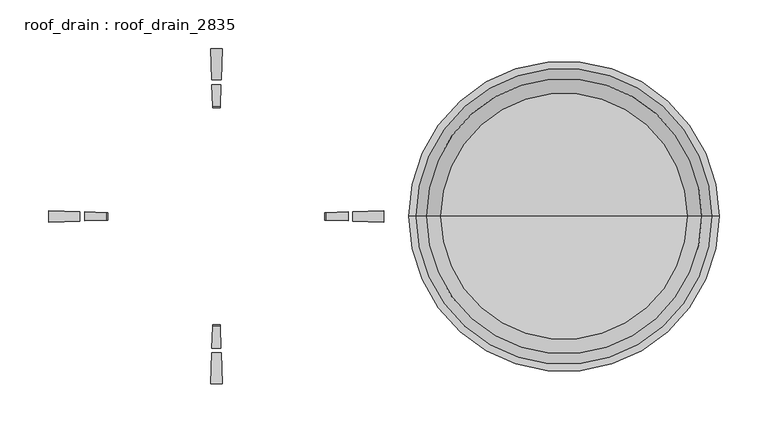
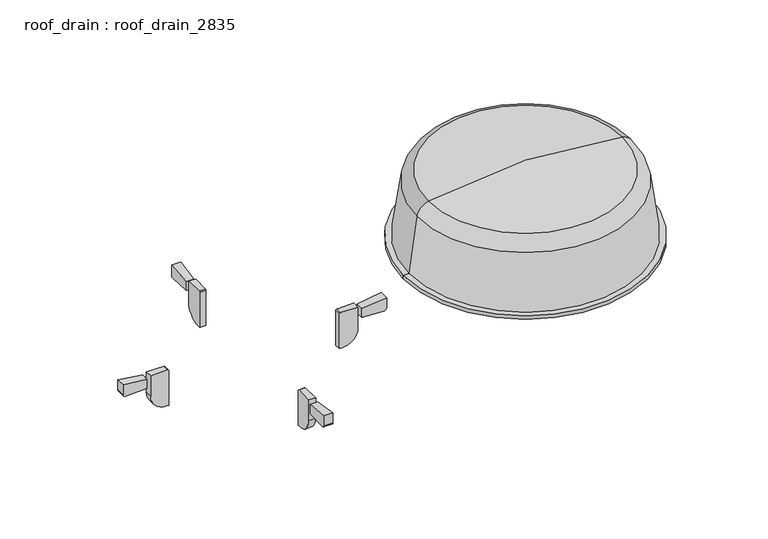
"""IFC4 building model written with IfcOpenShell, lengths in millimetres: proxy geometry, roof_drain : roof_drain_2835."""

import ifcopenshell
import ifcopenshell.guid

model = None  # the IFC model being written
_history = None  # IfcOwnerHistory: only IFC2X3 demands one
_inside = {}  # id of a spatial element -> (the spatial element, [elements in it])
_under = {}  # id of a project, library or spatial element -> (it, [spatial elements below it])
_declared = {}  # id of a project -> (the project, [libraries it declares])
_typed = {}  # id of a type object -> (the type object, [elements of that type])
_made_of = {}  # id of a material, layer set ... -> (it, [elements and type objects made of it])


def new_model(schema):
    """Start an empty IFC model of exactly this schema.

    Asked for "IFC4X3", IfcOpenShell would pick the latest addendum, in which some entities
    have other attributes; the version numbers below select the first issue.
    IFC2X3 requires an IfcOwnerHistory on every rooted entity: one is made here for all.
    """
    global model, _history
    if schema == "IFC4X3":
        model = ifcopenshell.file(schema_version=(4, 3, 0, 0))
    else:
        model = ifcopenshell.file(schema=schema)
    _inside.clear()
    _under.clear()
    _declared.clear()
    _typed.clear()
    _made_of.clear()
    _history = None
    if model.schema == "IFC2X3":
        org = make("IfcOrganization", Name="unknown")
        user = make(
            "IfcPersonAndOrganization",
            ThePerson=make("IfcPerson", FamilyName="unknown"),
            TheOrganization=org,
        )
        app = make(
            "IfcApplication",
            ApplicationDeveloper=org,
            Version="unknown",
            ApplicationFullName="unknown",
            ApplicationIdentifier="unknown",
        )
        _history = make(
            "IfcOwnerHistory",
            OwningUser=user,
            OwningApplication=app,
            ChangeAction="ADDED",
            CreationDate=0,
        )
    return model


def make(cls, **values):
    """One entity of the class cls with the attributes given. An attribute that is None is left unset."""
    return model.create_entity(
        cls, **{name: value for name, value in values.items() if value is not None}
    )


def rooted(cls, **values):
    """An entity with a GlobalId (a new one), such as an element, a storey or a relation."""
    return make(cls, GlobalId=ifcopenshell.guid.new(), OwnerHistory=_history, **values)


def si_unit(unit_type, name, prefix=None):
    """IfcSIUnit, for example si_unit("LENGTHUNIT", "METRE", prefix="MILLI")."""
    return make("IfcSIUnit", UnitType=unit_type, Prefix=prefix, Name=name)


def assignment(units):
    """IfcUnitAssignment: the units of a project."""
    return None if units is None else make("IfcUnitAssignment", Units=units)


def point(xyz):
    """IfcCartesianPoint."""
    return None if xyz is None else make("IfcCartesianPoint", Coordinates=xyz)


def direction(xyz):
    """IfcDirection."""
    return None if xyz is None else make("IfcDirection", DirectionRatios=xyz)


def frame(location, z_axis=None, x_axis=None):
    """IfcAxis2Placement3D, a coordinate frame: its origin and axes. An axis left out is left unset."""
    return make(
        "IfcAxis2Placement3D",
        Location=point(location),
        Axis=direction(z_axis),
        RefDirection=direction(x_axis),
    )


def origin():
    """The frame at (0, 0, 0) with its axes left unset."""
    return frame((0.0, 0.0, 0.0))


def place(relative_to, where):
    """IfcLocalPlacement: puts the frame where relative to a parent placement (None: the world)."""
    return make(
        "IfcLocalPlacement", PlacementRelTo=relative_to, RelativePlacement=where
    )


def context(
    kind, dimensions, precision=None, world=None, true_north=None, identifier=None
):
    """IfcGeometricRepresentationContext, for example the 3D "Model" context."""
    return make(
        "IfcGeometricRepresentationContext",
        ContextIdentifier=identifier,
        ContextType=kind,
        CoordinateSpaceDimension=dimensions,
        Precision=precision,
        WorldCoordinateSystem=world,
        TrueNorth=true_north,
    )


def project(units=None, contexts=None):
    """IfcProject with its units and contexts."""
    return rooted(
        "IfcProject",
        Name="project",
        RepresentationContexts=contexts,
        UnitsInContext=assignment(units),
    )


def spatial(cls, under=None, at=None, **own):
    """A site, building, storey or space (cls), placed at a placement, below another one or the project."""
    s = rooted(cls, ObjectPlacement=at, **own)
    if under is not None:
        _under.setdefault(under.id(), (under, []))[1].append(s)
    return s


def polyline(points):
    """IfcPolyline through the points."""
    return make("IfcPolyline", Points=[point(p) for p in points])


def circle_curve(where, radius):
    """IfcCircle in the frame where."""
    return make("IfcCircle", Position=where, Radius=radius)


def ellipse_curve(where, semi_axis1, semi_axis2):
    """IfcEllipse in the frame where."""
    return make(
        "IfcEllipse", Position=where, SemiAxis1=semi_axis1, SemiAxis2=semi_axis2
    )


def trimmed(basis, trim1, trim2, sense, master):
    """IfcTrimmedCurve: the piece of a basis curve between two trims."""
    return make(
        "IfcTrimmedCurve",
        BasisCurve=basis,
        Trim1=trim1,
        Trim2=trim2,
        SenseAgreement=sense,
        MasterRepresentation=master,
    )


def shape(context_of_items, identifier, shape_type, items):
    """IfcShapeRepresentation: the items that make up one representation, for example the "Body"."""
    return make(
        "IfcShapeRepresentation",
        ContextOfItems=context_of_items,
        RepresentationIdentifier=identifier,
        RepresentationType=shape_type,
        Items=items,
    )


def source(mapping_origin, context_of_items, identifier, shape_type, items):
    """IfcRepresentationMap: a shape defined once, which mapped items show again and again."""
    return make(
        "IfcRepresentationMap",
        MappingOrigin=mapping_origin,
        MappedRepresentation=shape(context_of_items, identifier, shape_type, items),
    )


def transform(
    local_origin,
    x_axis=None,
    y_axis=None,
    z_axis=None,
    scale=None,
    scale2=None,
    scale3=None,
    uniform=True,
):
    """IfcCartesianTransformationOperator3D, or its non-uniform kind. x_axis, y_axis, z_axis: its Axis1, 2, 3."""
    if uniform:
        return make(
            "IfcCartesianTransformationOperator3D",
            Axis1=direction(x_axis),
            Axis2=direction(y_axis),
            LocalOrigin=point(local_origin),
            Scale=scale,
            Axis3=direction(z_axis),
        )
    return make(
        "IfcCartesianTransformationOperator3DnonUniform",
        Axis1=direction(x_axis),
        Axis2=direction(y_axis),
        LocalOrigin=point(local_origin),
        Scale=scale,
        Axis3=direction(z_axis),
        Scale2=scale2,
        Scale3=scale3,
    )


def mapped(mapping_source, mapping_target):
    """IfcMappedItem: shows the shape of a source again, moved by a transform."""
    return make(
        "IfcMappedItem", MappingSource=mapping_source, MappingTarget=mapping_target
    )


def made_of(thing, what):
    """Note that an element or type object is made of a material, layer set ...; save() writes the relation."""
    if what is not None:
        _made_of.setdefault(what.id(), (what, []))[1].append(thing)
    return thing


def element(
    cls,
    number,
    at=None,
    inside=None,
    cuts=None,
    type_object=None,
    material=None,
    context=None,
    identifier="Body",
    shape_type=None,
    held_by="IfcProductDefinitionShape",
    body=None,
    shapes=None,
    **own,
):
    """One element of the class cls, such as IfcWall. Its Tag is "e" and its number.

    at: its placement. inside: the storey or other place that contains it. cuts: it is an
    opening in that element (IfcRelVoidsElement). A single representation is given by context,
    identifier, shape_type and body (its items); several are given by shapes. held_by: the class
    of the entity that holds the representations. save() writes the other relations.
    """
    e = rooted(cls, Tag="e%d" % number, ObjectPlacement=at, **own)
    if body is not None:
        shapes = [shape(context, identifier, shape_type, body)]
    if shapes is not None:
        e.Representation = make(held_by, Representations=shapes)
    if inside is not None:
        _inside.setdefault(inside.id(), (inside, []))[1].append(e)
    if cuts is not None:
        rooted(
            "IfcRelVoidsElement", RelatingBuildingElement=cuts, RelatedOpeningElement=e
        )
    if type_object is not None:
        _typed.setdefault(type_object.id(), (type_object, []))[1].append(e)
    return made_of(e, material)


def aggregate(whole, parts):
    """IfcRelAggregates: a whole, such as a stair, and the parts it consists of."""
    return rooted("IfcRelAggregates", RelatingObject=whole, RelatedObjects=parts)


def save(model, path):
    """Write the relations noted so far, then the file.

    IfcRelAggregates (storeys below a building ...), IfcRelContainedInSpatialStructure (elements
    in a storey), IfcRelDefinesByType, IfcRelAssociatesMaterial and IfcRelDeclares: one each for
    every whole, place, type object, material and project.
    """
    for whole, parts in _under.values():
        aggregate(whole, parts)
    for where, things in _inside.values():
        rooted(
            "IfcRelContainedInSpatialStructure",
            RelatedElements=things,
            RelatingStructure=where,
        )
    for kind, things in _typed.values():
        rooted("IfcRelDefinesByType", RelatedObjects=things, RelatingType=kind)
    for what, things in _made_of.values():
        rooted("IfcRelAssociatesMaterial", RelatedObjects=things, RelatingMaterial=what)
    for by, libraries in _declared.values():
        rooted("IfcRelDeclares", RelatingContext=by, RelatedDefinitions=libraries)
    model.write(path)


def plane_surface(at):
    """IfcPlane: the flat surface through the origin of the frame at, square to its z axis."""
    return make("IfcPlane", Position=at)


def cylinder_surface(at, radius):
    """IfcCylindricalSurface: all points at the distance radius from the z axis of the frame at."""
    return make("IfcCylindricalSurface", Position=at, Radius=radius)


def revolved_surface(curve, axis_point, axis_direction):
    """IfcSurfaceOfRevolution: the curve turned about the line through axis_point along axis_direction."""
    return make(
        "IfcSurfaceOfRevolution",
        SweptCurve=make("IfcArbitraryOpenProfileDef", ProfileType="CURVE", Curve=curve),
        AxisPosition=make("IfcAxis1Placement", Location=point(axis_point), Axis=direction(axis_direction)),
    )


def advanced_brep(points, edges, surfaces, faces):
    """IfcAdvancedBrep: a solid bounded by faces that lie on surfaces and meet in shared edges.

    An edge is (start, end): straight between two places in points (the first is 0);
    or (start, end, curve); or (start, end, curve, False) where it runs against its curve.
    A face is (place in surfaces, loops), or (place, loops, False) where it looks against
    its surface's normal. A loop lists edges by number (the first is 1), with a minus sign
    where the edge is run from its end to its start. The first loop is the outer one.
    """
    corners = [point(p) for p in points]
    vertices = [make("IfcVertexPoint", VertexGeometry=c) for c in corners]
    made = []
    for start, end, *more in edges:
        made.append(
            make(
                "IfcEdgeCurve",
                EdgeStart=vertices[start],
                EdgeEnd=vertices[end],
                EdgeGeometry=more[0] if more else make("IfcPolyline", Points=[corners[start], corners[end]]),
                SameSense=more[1] if len(more) > 1 else True,
            )
        )
    hull = []
    for where, loops, *sense in faces:
        bounds = []
        for j, loop in enumerate(loops):
            ring = [make("IfcOrientedEdge", EdgeElement=made[abs(k) - 1], Orientation=k > 0) for k in loop]
            bounds.append(
                make(
                    "IfcFaceOuterBound" if j == 0 else "IfcFaceBound",
                    Bound=make("IfcEdgeLoop", EdgeList=ring),
                    Orientation=True,
                )
            )
        hull.append(make("IfcAdvancedFace", Bounds=bounds, FaceSurface=surfaces[where], SameSense=sense[0] if sense else True))
    return make("IfcAdvancedBrep", Outer=make("IfcClosedShell", CfsFaces=hull))


def roof_drain_roof_drain_2835_d0f82bab(model_context):
    return source(origin(), model_context, "Body", "AdvancedBrep", [
        advanced_brep(
        [(177.8, 0.0, 3849.6197843), (51.8994828, 0.0, 3837.1409017), (303.7005172, 0.0, 3837.1409017), (52.8343876, 0.0, 3832.4710667), (177.8, 0.0, 3844.8572843), (302.7656124, 0.0, 3832.4710667), (41.4899088, 0.0, 3820.4447369), (314.1100912, 0.0, 3820.4447369), (30.4486755, 0.0, 3741.6697843), (325.1513245, 0.0, 3741.6697843), (19.05, 0.0, 3741.6697843), (336.55, 0.0, 3741.6697843), (19.05, 0.0, 3746.4322843), (336.55, 0.0, 3746.4322843), (26.3071429, 0.0, 3746.4322843), (329.2928571, 0.0, 3746.4322843), (36.773511, 0.0, 3821.1057954), (318.826489, 0.0, 3821.1057954)],
        [
            (0, 1, circle_curve(frame((177.8, 0.0, 3208.2697843), z_axis=(0.0, -1.0, 0.0), x_axis=(-1.0, 0.0, 0.0)), 641.35)),
            (1, 2, circle_curve(frame((177.8, 0.0, 3837.1409017), z_axis=(0.0, 0.0, 1.0), x_axis=(1.0, 0.0, 0.0)), 125.9005172)),
            (2, 0, circle_curve(frame((177.8, 0.0, 3208.2697843), z_axis=(0.0, -1.0, 0.0), x_axis=(1.0, 0.0, 0.0)), 641.35)),
            (2, 1, circle_curve(frame((177.8, 0.0, 3837.1409017), z_axis=(0.0, 0.0, 1.0), x_axis=(1.0, 0.0, 0.0)), 125.9005172)),
            (3, 4, circle_curve(frame((177.8, 0.0, 3208.2697843), z_axis=(0.0, 1.0, 0.0), x_axis=(-1.0, 0.0, 0.0)), 636.5875)),
            (4, 5, circle_curve(frame((177.8, 0.0, 3208.2697843), z_axis=(0.0, 1.0, 0.0), x_axis=(1.0, 0.0, 0.0)), 636.5875)),
            (5, 3, circle_curve(frame((177.8, 0.0, 3832.4710667), z_axis=(0.0, 0.0, -1.0), x_axis=(1.0, 0.0, 0.0)), 124.9656124)),
            (3, 5, circle_curve(frame((177.8, 0.0, 3832.4710667), z_axis=(0.0, 0.0, -1.0), x_axis=(1.0, 0.0, 0.0)), 124.9656124)),
            (6, 3, circle_curve(frame((55.6391021, 0.0, 3818.4615616), z_axis=(0.0, 1.0, 0.0), x_axis=(-1.0, 0.0, 0.0)), 14.2875)),
            (5, 7, circle_curve(frame((299.9608979, 0.0, 3818.4615616), z_axis=(0.0, 1.0, 0.0), x_axis=(1.0, 0.0, 0.0)), 14.2875)),
            (7, 6, circle_curve(frame((177.8, 0.0, 3820.4447369), z_axis=(0.0, 0.0, -1.0), x_axis=(1.0, 0.0, 0.0)), 136.3100912)),
            (6, 7, circle_curve(frame((177.8, 0.0, 3820.4447369), z_axis=(0.0, 0.0, -1.0), x_axis=(1.0, 0.0, 0.0)), 136.3100912)),
            (8, 6),
            (7, 9),
            (9, 8, circle_curve(frame((177.8, 0.0, 3741.6697843), z_axis=(0.0, 0.0, -1.0), x_axis=(1.0, 0.0, 0.0)), 147.3513245)),
            (8, 9, circle_curve(frame((177.8, 0.0, 3741.6697843), z_axis=(0.0, 0.0, -1.0), x_axis=(1.0, 0.0, 0.0)), 147.3513245)),
            (10, 8),
            (9, 11),
            (11, 10, circle_curve(frame((177.8, 0.0, 3741.6697843), z_axis=(0.0, 0.0, -1.0), x_axis=(1.0, 0.0, 0.0)), 158.75)),
            (10, 11, circle_curve(frame((177.8, 0.0, 3741.6697843), z_axis=(0.0, 0.0, -1.0), x_axis=(1.0, 0.0, 0.0)), 158.75)),
            (12, 10),
            (11, 13),
            (13, 12, circle_curve(frame((177.8, 0.0, 3746.4322843), z_axis=(0.0, 0.0, -1.0), x_axis=(1.0, 0.0, 0.0)), 158.75)),
            (12, 13, circle_curve(frame((177.8, 0.0, 3746.4322843), z_axis=(0.0, 0.0, -1.0), x_axis=(1.0, 0.0, 0.0)), 158.75)),
            (14, 12),
            (13, 15),
            (15, 14, circle_curve(frame((177.8, 0.0, 3746.4322843), z_axis=(0.0, 0.0, -1.0), x_axis=(1.0, 0.0, 0.0)), 151.4928571)),
            (14, 15, circle_curve(frame((177.8, 0.0, 3746.4322843), z_axis=(0.0, 0.0, -1.0), x_axis=(1.0, 0.0, 0.0)), 151.4928571)),
            (16, 14),
            (15, 17),
            (17, 16, circle_curve(frame((177.8, 0.0, 3821.1057954), z_axis=(0.0, 0.0, -1.0), x_axis=(1.0, 0.0, 0.0)), 141.026489)),
            (16, 17, circle_curve(frame((177.8, 0.0, 3821.1057954), z_axis=(0.0, 0.0, -1.0), x_axis=(1.0, 0.0, 0.0)), 141.026489)),
            (1, 16, circle_curve(frame((55.6391021, 0.0, 3818.4615616), z_axis=(0.0, -1.0, 0.0), x_axis=(-1.0, 0.0, 0.0)), 19.05)),
            (17, 2, circle_curve(frame((299.9608979, 0.0, 3818.4615616), z_axis=(0.0, -1.0, 0.0), x_axis=(1.0, 0.0, 0.0)), 19.05)),
        ],
        [
            revolved_surface(trimmed(ellipse_curve(frame((177.8, 0.0, 3208.2697843), z_axis=(0.0, -1.0, 0.0), x_axis=(1.0, 0.0, 0.0)), 641.35, 641.35), [point((303.7005172, 0.0, 3837.1409017))], [point((177.8, 0.0, 3849.6197843))], True, "CARTESIAN"), (177.8, 0.0, 3589.2697843), (0.0, 0.0, 1.0)),
            revolved_surface(trimmed(ellipse_curve(frame((177.8, 0.0, 3208.2697843), z_axis=(0.0, 1.0, 0.0), x_axis=(1.0, 0.0, 0.0)), 636.5875, 636.5875), [point((177.8, 0.0, 3844.8572843))], [point((302.7656124, 0.0, 3832.4710667))], True, "CARTESIAN"), (177.8, 0.0, 3589.2697843), (0.0, 0.0, 1.0)),
            revolved_surface(trimmed(ellipse_curve(frame((299.9608979, 0.0, 3818.4615616), z_axis=(0.0, 1.0, 0.0), x_axis=(1.0, 0.0, 0.0)), 14.2875, 14.2875), [point((302.7656124, 0.0, 3832.4710667))], [point((314.1100912, 0.0, 3820.4447369))], True, "CARTESIAN"), (177.8, 0.0, 3589.2697843), (0.0, 0.0, 1.0)),
            revolved_surface(polyline([(314.1100912, 0.0, 3820.4447369), (325.1513245, 0.0, 3741.6697843)]), (177.8, 0.0, 3589.2697843), (0.0, 0.0, 1.0)),
            plane_surface(frame((177.8, 0.0, 3741.6697843), z_axis=(0.0, 0.0, -1.0), x_axis=(1.0, 0.0, 0.0))),
            cylinder_surface(frame((177.8, 0.0, 3589.2697843), z_axis=(0.0, 0.0, 1.0), x_axis=(1.0, 0.0, 0.0)), 158.75),
            plane_surface(frame((177.8, 0.0, 3746.4322843), z_axis=(0.0, 0.0, 1.0), x_axis=(1.0, 0.0, 0.0))),
            revolved_surface(polyline([(329.2928571, 0.0, 3746.4322843), (318.826489, 0.0, 3821.1057954)]), (177.8, 0.0, 3589.2697843), (0.0, 0.0, 1.0)),
            revolved_surface(trimmed(ellipse_curve(frame((299.9608979, 0.0, 3818.4615616), z_axis=(0.0, -1.0, 0.0), x_axis=(1.0, 0.0, 0.0)), 19.05, 19.05), [point((318.826489, 0.0, 3821.1057954))], [point((303.7005172, 0.0, 3837.1409017))], True, "CARTESIAN"), (177.8, 0.0, 3589.2697843), (0.0, 0.0, 1.0)),
        ],
        [
            (0, [[1, 2, 3]]),
            (0, [[-3, 4, -1]]),
            (1, [[5, 6, 7]]),
            (1, [[-6, -5, 8]]),
            (2, [[9, -7, 10, 11]]),
            (2, [[-10, -8, -9, 12]]),
            (3, [[13, -11, 14, 15]]),
            (3, [[-14, -12, -13, 16]]),
            (4, [[17, -15, 18, 19]]),
            (4, [[-18, -16, -17, 20]]),
            (5, [[21, -19, 22, 23]]),
            (5, [[-22, -20, -21, 24]]),
            (6, [[25, -23, 26, 27]]),
            (6, [[-26, -24, -25, 28]]),
            (7, [[29, -27, 30, 31]]),
            (7, [[-30, -28, -29, 32]]),
            (8, [[33, -31, 34, -2]]),
            (8, [[-34, -32, -33, -4]]),
        ],
    ),
        advanced_brep(
        [(-171.8164813, -171.3455573, 3714.6822843), (-171.9272872, -168.1724914, 3711.5072843), (-172.9245403, -139.6148985, 3711.5072843), (-172.9245403, -139.6148985, 3724.2072843), (-171.8164813, -171.3455573, 3728.1056941), (-183.7835187, -171.3455573, 3714.6822843), (-183.7835187, -171.3455573, 3728.1056941), (-182.6754597, -139.6148985, 3724.2072843), (-182.6754597, -139.6148985, 3711.5072843), (-183.6727128, -168.1724914, 3711.5072843)],
        [
            (0, 1, circle_curve(frame((-171.9272872, -168.1724914, 3714.6822843), z_axis=(0.9993908270190829, 0.034899496702871076, 0.0), x_axis=(0.034899496702871076, -0.9993908270190829, 0.0)), 3.175)),
            (1, 2),
            (2, 3),
            (3, 4),
            (4, 0),
            (5, 6),
            (6, 7),
            (7, 8),
            (8, 9),
            (9, 5, circle_curve(frame((-183.6727128, -168.1724914, 3714.6822843), z_axis=(-0.9993908270191088, 0.0348994967021308, 0.0), x_axis=(-0.0348994967021308, -0.9993908270191088, 0.0)), 3.175)),
            (5, 0, circle_curve(frame((-177.8, 0.0, 3714.6822843), z_axis=(0.0, 0.0, 1.0), x_axis=(0.034899496702871076, -0.9993908270190829, 0.0)), 171.45)),
            (4, 6, circle_curve(frame((-177.8, 0.0, 3728.1056941), z_axis=(0.0, 0.0, -1.0), x_axis=(0.034899496702871076, -0.9993908270190829, 0.0)), 171.45)),
            (3, 7, circle_curve(frame((-177.8, 0.0, 3724.2072843), z_axis=(0.0, 0.0, -1.0), x_axis=(0.034899496702871076, -0.9993908270190829, 0.0)), 139.7)),
            (2, 8, circle_curve(frame((-177.8, 0.0, 3711.5072843), z_axis=(0.0, 0.0, -1.0), x_axis=(0.034899496702871076, -0.9993908270190829, 0.0)), 139.7)),
            (1, 9, circle_curve(frame((-177.8, 0.0, 3711.5072843), z_axis=(0.0, 0.0, -1.0), x_axis=(0.034899496702871076, -0.9993908270190829, 0.0)), 168.275)),
        ],
        [
            plane_surface(frame((-177.8, 0.0, 3905.1822843), z_axis=(0.9993908270190829, 0.034899496702871076, 0.0), x_axis=(0.034899496702871076, -0.9993908270190829, 0.0))),
            plane_surface(frame((-177.8, 0.0, 3905.1822843), z_axis=(-0.9993908270191086, 0.03489949670213079, 0.0), x_axis=(-0.03489949670213079, -0.9993908270191086, 0.0))),
            cylinder_surface(frame((-177.8, 0.0, 3905.1822843), z_axis=(0.0, 0.0, 1.0), x_axis=(0.034899496702871076, -0.9993908270190829, 0.0)), 171.45),
            revolved_surface(polyline([(-171.8164813, -171.3455573, 3728.1056941), (-172.9245403, -139.6148985, 3724.2072843)]), (-177.8, 0.0, 3905.1822843), (0.0, 0.0, 1.0)),
            revolved_surface(polyline([(-172.92454031060893, -139.61489853456587, 3724.2072843), (-172.92454031060893, -139.61489853456587, 3711.5072843)]), (-177.8, 0.0, 3905.1822843), (0.0, 0.0, 1.0)),
            plane_surface(frame((-177.8, 0.0, 3711.5072843), z_axis=(0.0, 0.0, -1.0000000000000002), x_axis=(0.034899496702871076, -0.9993908270190829, 0.0))),
            revolved_surface(trimmed(ellipse_curve(frame((-171.9272872, -168.1724914, 3714.6822843), z_axis=(-0.9993908270190829, -0.034899496702871076, 0.0), x_axis=(0.034899496702871076, -0.9993908270190829, 0.0)), 3.175, 3.175), [point((-171.9272872, -168.1724914, 3711.5072843))], [point((-171.8164813, -171.3455573, 3714.6822843))], True, "CARTESIAN"), (-177.8, 0.0, 3905.1822843), (0.0, 0.0, 1.0)),
        ],
        [
            (0, [[1, 2, 3, 4, 5]]),
            (1, [[6, 7, 8, 9, 10]]),
            (2, [[-6, 11, -5, 12]]),
            (3, [[-7, -12, -4, 13]]),
            (4, [[-8, -13, -3, 14]]),
            (5, [[-9, -14, -2, 15]]),
            (6, [[-10, -15, -1, -11]]),
        ],
    ),
        advanced_brep(
        [(-173.9217934, -111.0573057, 3725.7947843), (-173.8663905, -112.6438386, 3727.3822843), (-173.0907492, -134.8552997, 3727.3822843), (-173.0907492, -134.8552997, 3698.8072843), (-173.8109875, -114.2303715, 3678.1697843), (-173.9217934, -111.0573057, 3678.1697843), (-181.6782066, -111.0573057, 3725.7947843), (-181.6782066, -111.0573057, 3678.1697843), (-181.7890125, -114.2303715, 3678.1697843), (-182.5092508, -134.8552997, 3698.8072843), (-182.5092508, -134.8552997, 3727.3822843), (-181.7336095, -112.6438386, 3727.3822843)],
        [
            (0, 1, circle_curve(frame((-173.8663905, -112.6438386, 3725.7947843), z_axis=(0.9993908270190829, 0.034899496702871076, 0.0), x_axis=(0.034899496702871076, -0.9993908270190829, 0.0)), 1.5875)),
            (1, 2),
            (2, 3),
            (3, 4, circle_curve(frame((-173.8109875, -114.2303715, 3698.8072843), z_axis=(0.9993908270190829, 0.034899496702871076, 0.0), x_axis=(0.034899496702871076, -0.9993908270190829, 0.0)), 20.6375)),
            (4, 5),
            (5, 0),
            (6, 7),
            (7, 8),
            (8, 9, circle_curve(frame((-181.7890125, -114.2303715, 3698.8072843), z_axis=(-0.9993908270191088, 0.0348994967021308, 0.0), x_axis=(-0.0348994967021308, -0.9993908270191088, 0.0)), 20.6375)),
            (9, 10),
            (10, 11),
            (11, 6, circle_curve(frame((-181.7336095, -112.6438386, 3725.7947843), z_axis=(-0.9993908270191088, 0.0348994967021308, 0.0), x_axis=(-0.0348994967021308, -0.9993908270191088, 0.0)), 1.5875)),
            (6, 0, circle_curve(frame((-177.8, 0.0, 3725.7947843), z_axis=(0.0, 0.0, 1.0), x_axis=(0.034899496702871076, -0.9993908270190829, 0.0)), 111.125)),
            (5, 7, circle_curve(frame((-177.8, 0.0, 3678.1697843), z_axis=(0.0, 0.0, -1.0), x_axis=(0.034899496702871076, -0.9993908270190829, 0.0)), 111.125)),
            (4, 8, circle_curve(frame((-177.8, 0.0, 3678.1697843), z_axis=(0.0, 0.0, -1.0), x_axis=(0.034899496702871076, -0.9993908270190829, 0.0)), 114.3)),
            (3, 9, circle_curve(frame((-177.8, 0.0, 3698.8072843), z_axis=(0.0, 0.0, -1.0), x_axis=(0.034899496702871076, -0.9993908270190829, 0.0)), 134.9375)),
            (2, 10, circle_curve(frame((-177.8, 0.0, 3727.3822843), z_axis=(0.0, 0.0, -1.0), x_axis=(0.034899496702871076, -0.9993908270190829, 0.0)), 134.9375)),
            (1, 11, circle_curve(frame((-177.8, 0.0, 3727.3822843), z_axis=(0.0, 0.0, -1.0), x_axis=(0.034899496702871076, -0.9993908270190829, 0.0)), 112.7125)),
        ],
        [
            plane_surface(frame((-177.8, 0.0, 3905.1822843), z_axis=(0.9993908270190829, 0.034899496702871076, 0.0), x_axis=(0.034899496702871076, -0.9993908270190829, 0.0))),
            plane_surface(frame((-177.8, 0.0, 3905.1822843), z_axis=(-0.9993908270191086, 0.03489949670213079, 0.0), x_axis=(-0.03489949670213079, -0.9993908270191086, 0.0))),
            revolved_surface(polyline([(-173.92179342889347, -111.05730565249559, 3725.7947843), (-173.92179342889347, -111.05730565249559, 3678.1697843)]), (-177.8, 0.0, 3905.1822843), (0.0, 0.0, 1.0)),
            plane_surface(frame((-177.8, 0.0, 3678.1697843), z_axis=(0.0, 0.0, -1.0000000000000002), x_axis=(0.034899496702871076, -0.9993908270190829, 0.0))),
            revolved_surface(trimmed(ellipse_curve(frame((-173.8109875, -114.2303715, 3698.8072843), z_axis=(-0.9993908270190829, -0.034899496702871076, 0.0), x_axis=(0.034899496702871076, -0.9993908270190829, 0.0)), 20.6375, 20.6375), [point((-173.8109875, -114.2303715, 3678.1697843))], [point((-173.0907492, -134.8552997, 3698.8072843))], True, "CARTESIAN"), (-177.8, 0.0, 3905.1822843), (0.0, 0.0, 1.0)),
            cylinder_surface(frame((-177.8, 0.0, 3905.1822843), z_axis=(0.0, 0.0, 1.0), x_axis=(0.034899496702871076, -0.9993908270190829, 0.0)), 134.9375),
            plane_surface(frame((-177.8, 0.0, 3727.3822843), z_axis=(0.0, 0.0, 1.0000000000000002), x_axis=(0.034899496702871076, -0.9993908270190829, 0.0))),
            revolved_surface(trimmed(ellipse_curve(frame((-173.8663905, -112.6438386, 3725.7947843), z_axis=(-0.9993908270190829, -0.034899496702871076, 0.0), x_axis=(0.034899496702871076, -0.9993908270190829, 0.0)), 1.5875, 1.5875), [point((-173.8663905, -112.6438386, 3727.3822843))], [point((-173.9217934, -111.0573057, 3725.7947843))], True, "CARTESIAN"), (-177.8, 0.0, 3905.1822843), (0.0, 0.0, 1.0)),
        ],
        [
            (0, [[1, 2, 3, 4, 5, 6]]),
            (1, [[7, 8, 9, 10, 11, 12]]),
            (2, [[-7, 13, -6, 14]]),
            (3, [[-8, -14, -5, 15]]),
            (4, [[-9, -15, -4, 16]]),
            (5, [[-10, -16, -3, 17]]),
            (6, [[-11, -17, -2, 18]]),
            (7, [[-12, -18, -1, -13]]),
        ],
    ),
        advanced_brep(
        [(-183.7835187, 171.3455573, 3714.6822843), (-183.6727128, 168.1724914, 3711.5072843), (-182.6754597, 139.6148985, 3711.5072843), (-182.6754597, 139.6148985, 3724.2072843), (-183.7835187, 171.3455573, 3728.1056941), (-171.8164813, 171.3455573, 3714.6822843), (-171.8164813, 171.3455573, 3728.1056941), (-172.9245403, 139.6148985, 3724.2072843), (-172.9245403, 139.6148985, 3711.5072843), (-171.9272872, 168.1724914, 3711.5072843)],
        [
            (0, 1, circle_curve(frame((-183.6727128, 168.1724914, 3714.6822843), z_axis=(-0.9993908270190829, -0.034899496702871076, 0.0), x_axis=(-0.034899496702871076, 0.9993908270190829, 0.0)), 3.175)),
            (1, 2),
            (2, 3),
            (3, 4),
            (4, 0),
            (5, 6),
            (6, 7),
            (7, 8),
            (8, 9),
            (9, 5, circle_curve(frame((-171.9272872, 168.1724914, 3714.6822843), z_axis=(0.9993908270191088, -0.0348994967021308, 0.0), x_axis=(0.0348994967021308, 0.9993908270191088, 0.0)), 3.175)),
            (5, 0, circle_curve(frame((-177.8, 0.0, 3714.6822843), z_axis=(0.0, 0.0, 1.0), x_axis=(-0.034899496702871076, 0.9993908270190829, 0.0)), 171.45)),
            (4, 6, circle_curve(frame((-177.8, 0.0, 3728.1056941), z_axis=(0.0, 0.0, -1.0), x_axis=(-0.034899496702871076, 0.9993908270190829, 0.0)), 171.45)),
            (3, 7, circle_curve(frame((-177.8, 0.0, 3724.2072843), z_axis=(0.0, 0.0, -1.0), x_axis=(-0.034899496702871076, 0.9993908270190829, 0.0)), 139.7)),
            (2, 8, circle_curve(frame((-177.8, 0.0, 3711.5072843), z_axis=(0.0, 0.0, -1.0), x_axis=(-0.034899496702871076, 0.9993908270190829, 0.0)), 139.7)),
            (1, 9, circle_curve(frame((-177.8, 0.0, 3711.5072843), z_axis=(0.0, 0.0, -1.0), x_axis=(-0.034899496702871076, 0.9993908270190829, 0.0)), 168.275)),
        ],
        [
            plane_surface(frame((-177.8, 0.0, 3905.1822843), z_axis=(-0.9993908270190829, -0.034899496702871076, 0.0), x_axis=(-0.034899496702871076, 0.9993908270190829, 0.0))),
            plane_surface(frame((-177.8, 0.0, 3905.1822843), z_axis=(0.9993908270191086, -0.03489949670213079, 0.0), x_axis=(0.03489949670213079, 0.9993908270191086, 0.0))),
            cylinder_surface(frame((-177.8, 0.0, 3905.1822843), z_axis=(0.0, 0.0, 1.0), x_axis=(-0.034899496702871076, 0.9993908270190829, 0.0)), 171.45),
            revolved_surface(polyline([(-183.7835187, 171.3455573, 3728.1056941), (-182.6754597, 139.6148985, 3724.2072843)]), (-177.8, 0.0, 3905.1822843), (0.0, 0.0, 1.0)),
            revolved_surface(polyline([(-182.6754596893911, 139.61489853456587, 3724.2072843), (-182.6754596893911, 139.61489853456587, 3711.5072843)]), (-177.8, 0.0, 3905.1822843), (0.0, 0.0, 1.0)),
            plane_surface(frame((-177.8, 0.0, 3711.5072843), z_axis=(0.0, 0.0, -1.0000000000000002), x_axis=(-0.034899496702871076, 0.9993908270190829, 0.0))),
            revolved_surface(trimmed(ellipse_curve(frame((-183.6727128, 168.1724914, 3714.6822843), z_axis=(0.9993908270190829, 0.034899496702871076, 0.0), x_axis=(-0.034899496702871076, 0.9993908270190829, 0.0)), 3.175, 3.175), [point((-183.6727128, 168.1724914, 3711.5072843))], [point((-183.7835187, 171.3455573, 3714.6822843))], True, "CARTESIAN"), (-177.8, 0.0, 3905.1822843), (0.0, 0.0, 1.0)),
        ],
        [
            (0, [[1, 2, 3, 4, 5]]),
            (1, [[6, 7, 8, 9, 10]]),
            (2, [[-6, 11, -5, 12]]),
            (3, [[-7, -12, -4, 13]]),
            (4, [[-8, -13, -3, 14]]),
            (5, [[-9, -14, -2, 15]]),
            (6, [[-10, -15, -1, -11]]),
        ],
    ),
        advanced_brep(
        [(-181.6782066, 111.0573057, 3725.7947843), (-181.7336095, 112.6438386, 3727.3822843), (-182.5092508, 134.8552997, 3727.3822843), (-182.5092508, 134.8552997, 3698.8072843), (-181.7890125, 114.2303715, 3678.1697843), (-181.6782066, 111.0573057, 3678.1697843), (-173.9217934, 111.0573057, 3725.7947843), (-173.9217934, 111.0573057, 3678.1697843), (-173.8109875, 114.2303715, 3678.1697843), (-173.0907492, 134.8552997, 3698.8072843), (-173.0907492, 134.8552997, 3727.3822843), (-173.8663905, 112.6438386, 3727.3822843)],
        [
            (0, 1, circle_curve(frame((-181.7336095, 112.6438386, 3725.7947843), z_axis=(-0.9993908270190829, -0.034899496702871076, 0.0), x_axis=(-0.034899496702871076, 0.9993908270190829, 0.0)), 1.5875)),
            (1, 2),
            (2, 3),
            (3, 4, circle_curve(frame((-181.7890125, 114.2303715, 3698.8072843), z_axis=(-0.9993908270190829, -0.034899496702871076, 0.0), x_axis=(-0.034899496702871076, 0.9993908270190829, 0.0)), 20.6375)),
            (4, 5),
            (5, 0),
            (6, 7),
            (7, 8),
            (8, 9, circle_curve(frame((-173.8109875, 114.2303715, 3698.8072843), z_axis=(0.9993908270191088, -0.0348994967021308, 0.0), x_axis=(0.0348994967021308, 0.9993908270191088, 0.0)), 20.6375)),
            (9, 10),
            (10, 11),
            (11, 6, circle_curve(frame((-173.8663905, 112.6438386, 3725.7947843), z_axis=(0.9993908270191088, -0.0348994967021308, 0.0), x_axis=(0.0348994967021308, 0.9993908270191088, 0.0)), 1.5875)),
            (6, 0, circle_curve(frame((-177.8, 0.0, 3725.7947843), z_axis=(0.0, 0.0, 1.0), x_axis=(-0.034899496702871076, 0.9993908270190829, 0.0)), 111.125)),
            (5, 7, circle_curve(frame((-177.8, 0.0, 3678.1697843), z_axis=(0.0, 0.0, -1.0), x_axis=(-0.034899496702871076, 0.9993908270190829, 0.0)), 111.125)),
            (4, 8, circle_curve(frame((-177.8, 0.0, 3678.1697843), z_axis=(0.0, 0.0, -1.0), x_axis=(-0.034899496702871076, 0.9993908270190829, 0.0)), 114.3)),
            (3, 9, circle_curve(frame((-177.8, 0.0, 3698.8072843), z_axis=(0.0, 0.0, -1.0), x_axis=(-0.034899496702871076, 0.9993908270190829, 0.0)), 134.9375)),
            (2, 10, circle_curve(frame((-177.8, 0.0, 3727.3822843), z_axis=(0.0, 0.0, -1.0), x_axis=(-0.034899496702871076, 0.9993908270190829, 0.0)), 134.9375)),
            (1, 11, circle_curve(frame((-177.8, 0.0, 3727.3822843), z_axis=(0.0, 0.0, -1.0), x_axis=(-0.034899496702871076, 0.9993908270190829, 0.0)), 112.7125)),
        ],
        [
            plane_surface(frame((-177.8, 0.0, 3905.1822843), z_axis=(-0.9993908270190829, -0.034899496702871076, 0.0), x_axis=(-0.034899496702871076, 0.9993908270190829, 0.0))),
            plane_surface(frame((-177.8, 0.0, 3905.1822843), z_axis=(0.9993908270191086, -0.03489949670213079, 0.0), x_axis=(0.03489949670213079, 0.9993908270191086, 0.0))),
            revolved_surface(polyline([(-181.67820657110656, 111.05730565249559, 3725.7947843), (-181.67820657110656, 111.05730565249559, 3678.1697843)]), (-177.8, 0.0, 3905.1822843), (0.0, 0.0, 1.0)),
            plane_surface(frame((-177.8, 0.0, 3678.1697843), z_axis=(0.0, 0.0, -1.0000000000000002), x_axis=(-0.034899496702871076, 0.9993908270190829, 0.0))),
            revolved_surface(trimmed(ellipse_curve(frame((-181.7890125, 114.2303715, 3698.8072843), z_axis=(0.9993908270190829, 0.034899496702871076, 0.0), x_axis=(-0.034899496702871076, 0.9993908270190829, 0.0)), 20.6375, 20.6375), [point((-181.7890125, 114.2303715, 3678.1697843))], [point((-182.5092508, 134.8552997, 3698.8072843))], True, "CARTESIAN"), (-177.8, 0.0, 3905.1822843), (0.0, 0.0, 1.0)),
            cylinder_surface(frame((-177.8, 0.0, 3905.1822843), z_axis=(0.0, 0.0, 1.0), x_axis=(-0.034899496702871076, 0.9993908270190829, 0.0)), 134.9375),
            plane_surface(frame((-177.8, 0.0, 3727.3822843), z_axis=(0.0, 0.0, 1.0000000000000002), x_axis=(-0.034899496702871076, 0.9993908270190829, 0.0))),
            revolved_surface(trimmed(ellipse_curve(frame((-181.7336095, 112.6438386, 3725.7947843), z_axis=(0.9993908270190829, 0.034899496702871076, 0.0), x_axis=(-0.034899496702871076, 0.9993908270190829, 0.0)), 1.5875, 1.5875), [point((-181.7336095, 112.6438386, 3727.3822843))], [point((-181.6782066, 111.0573057, 3725.7947843))], True, "CARTESIAN"), (-177.8, 0.0, 3905.1822843), (0.0, 0.0, 1.0)),
        ],
        [
            (0, [[1, 2, 3, 4, 5, 6]]),
            (1, [[7, 8, 9, 10, 11, 12]]),
            (2, [[-7, 13, -6, 14]]),
            (3, [[-8, -14, -5, 15]]),
            (4, [[-9, -15, -4, 16]]),
            (5, [[-10, -16, -3, 17]]),
            (6, [[-11, -17, -2, 18]]),
            (7, [[-12, -18, -1, -13]]),
        ],
    ),
        advanced_brep(
        [(-349.1455573, -5.9835187, 3714.6822843), (-345.9724914, -5.8727128, 3711.5072843), (-317.4148985, -4.8754597, 3711.5072843), (-317.4148985, -4.8754597, 3724.2072843), (-349.1455573, -5.9835187, 3728.1056941), (-349.1455573, 5.9835187, 3714.6822843), (-349.1455573, 5.9835187, 3728.1056941), (-317.4148985, 4.8754597, 3724.2072843), (-317.4148985, 4.8754597, 3711.5072843), (-345.9724914, 5.8727128, 3711.5072843)],
        [
            (0, 1, circle_curve(frame((-345.9724914, -5.8727128, 3714.6822843), z_axis=(0.034899496702500934, -0.9993908270190958, 0.0), x_axis=(-0.9993908270190958, -0.034899496702500934, 0.0)), 3.175)),
            (1, 2),
            (2, 3),
            (3, 4),
            (4, 0),
            (5, 6),
            (6, 7),
            (7, 8),
            (8, 9),
            (9, 5, circle_curve(frame((-345.9724914, 5.8727128, 3714.6822843), z_axis=(0.03489949670250094, 0.9993908270190957, 0.0), x_axis=(-0.9993908270190957, 0.03489949670250094, 0.0)), 3.175)),
            (5, 0, circle_curve(frame((-177.8, 0.0, 3714.6822843), z_axis=(0.0, 0.0, 1.0), x_axis=(-0.9993908270190958, -0.034899496702500934, 0.0)), 171.45)),
            (4, 6, circle_curve(frame((-177.8, 0.0, 3728.1056941), z_axis=(0.0, 0.0, -1.0), x_axis=(-0.9993908270190958, -0.034899496702500934, 0.0)), 171.45)),
            (3, 7, circle_curve(frame((-177.8, 0.0, 3724.2072843), z_axis=(0.0, 0.0, -1.0), x_axis=(-0.9993908270190958, -0.034899496702500934, 0.0)), 139.7)),
            (2, 8, circle_curve(frame((-177.8, 0.0, 3711.5072843), z_axis=(0.0, 0.0, -1.0), x_axis=(-0.9993908270190958, -0.034899496702500934, 0.0)), 139.7)),
            (1, 9, circle_curve(frame((-177.8, 0.0, 3711.5072843), z_axis=(0.0, 0.0, -1.0), x_axis=(-0.9993908270190958, -0.034899496702500934, 0.0)), 168.275)),
        ],
        [
            plane_surface(frame((-177.8, 0.0, 3905.1822843), z_axis=(0.034899496702500934, -0.9993908270190958, 0.0), x_axis=(-0.9993908270190958, -0.034899496702500934, 0.0))),
            plane_surface(frame((-177.8, 0.0, 3905.1822843), z_axis=(0.03489949670250094, 0.9993908270190958, 0.0), x_axis=(-0.9993908270190958, 0.03489949670250094, 0.0))),
            cylinder_surface(frame((-177.8, 0.0, 3905.1822843), z_axis=(0.0, 0.0, 1.0), x_axis=(-0.9993908270190958, -0.034899496702500934, 0.0)), 171.45),
            revolved_surface(polyline([(-349.1455573, -5.9835187, 3728.1056941), (-317.4148985, -4.8754597, 3724.2072843)]), (-177.8, 0.0, 3905.1822843), (0.0, 0.0, 1.0)),
            revolved_surface(polyline([(-317.41489853456767, -4.8754596893393805, 3724.2072843), (-317.41489853456767, -4.8754596893393805, 3711.5072843)]), (-177.8, 0.0, 3905.1822843), (0.0, 0.0, 1.0)),
            plane_surface(frame((-177.8, 0.0, 3711.5072843), z_axis=(0.0, 0.0, -1.0), x_axis=(-0.9993908270190958, -0.034899496702500934, 0.0))),
            revolved_surface(trimmed(ellipse_curve(frame((-345.9724914, -5.8727128, 3714.6822843), z_axis=(-0.034899496702500934, 0.9993908270190958, 0.0), x_axis=(-0.9993908270190958, -0.034899496702500934, 0.0)), 3.175, 3.175), [point((-345.9724914, -5.8727128, 3711.5072843))], [point((-349.1455573, -5.9835187, 3714.6822843))], True, "CARTESIAN"), (-177.8, 0.0, 3905.1822843), (0.0, 0.0, 1.0)),
        ],
        [
            (0, [[1, 2, 3, 4, 5]]),
            (1, [[6, 7, 8, 9, 10]]),
            (2, [[-6, 11, -5, 12]]),
            (3, [[-7, -12, -4, 13]]),
            (4, [[-8, -13, -3, 14]]),
            (5, [[-9, -14, -2, 15]]),
            (6, [[-10, -15, -1, -11]]),
        ],
    ),
        advanced_brep(
        [(-288.8573057, -3.8782066, 3725.7947843), (-290.4438386, -3.9336095, 3727.3822843), (-312.6552997, -4.7092508, 3727.3822843), (-312.6552997, -4.7092508, 3698.8072843), (-292.0303715, -3.9890125, 3678.1697843), (-288.8573057, -3.8782066, 3678.1697843), (-288.8573057, 3.8782066, 3725.7947843), (-288.8573057, 3.8782066, 3678.1697843), (-292.0303715, 3.9890125, 3678.1697843), (-312.6552997, 4.7092508, 3698.8072843), (-312.6552997, 4.7092508, 3727.3822843), (-290.4438386, 3.9336095, 3727.3822843)],
        [
            (0, 1, circle_curve(frame((-290.4438386, -3.9336095, 3725.7947843), z_axis=(0.034899496702500934, -0.9993908270190958, 0.0), x_axis=(-0.9993908270190958, -0.034899496702500934, 0.0)), 1.5875)),
            (1, 2),
            (2, 3),
            (3, 4, circle_curve(frame((-292.0303715, -3.9890125, 3698.8072843), z_axis=(0.034899496702500934, -0.9993908270190958, 0.0), x_axis=(-0.9993908270190958, -0.034899496702500934, 0.0)), 20.6375)),
            (4, 5),
            (5, 0),
            (6, 7),
            (7, 8),
            (8, 9, circle_curve(frame((-292.0303715, 3.9890125, 3698.8072843), z_axis=(0.03489949670250094, 0.9993908270190957, 0.0), x_axis=(-0.9993908270190957, 0.03489949670250094, 0.0)), 20.6375)),
            (9, 10),
            (10, 11),
            (11, 6, circle_curve(frame((-290.4438386, 3.9336095, 3725.7947843), z_axis=(0.03489949670250094, 0.9993908270190957, 0.0), x_axis=(-0.9993908270190957, 0.03489949670250094, 0.0)), 1.5875)),
            (6, 0, circle_curve(frame((-177.8, 0.0, 3725.7947843), z_axis=(0.0, 0.0, 1.0), x_axis=(-0.9993908270190958, -0.034899496702500934, 0.0)), 111.125)),
            (5, 7, circle_curve(frame((-177.8, 0.0, 3678.1697843), z_axis=(0.0, 0.0, -1.0), x_axis=(-0.9993908270190958, -0.034899496702500934, 0.0)), 111.125)),
            (4, 8, circle_curve(frame((-177.8, 0.0, 3678.1697843), z_axis=(0.0, 0.0, -1.0), x_axis=(-0.9993908270190958, -0.034899496702500934, 0.0)), 114.3)),
            (3, 9, circle_curve(frame((-177.8, 0.0, 3698.8072843), z_axis=(0.0, 0.0, -1.0), x_axis=(-0.9993908270190958, -0.034899496702500934, 0.0)), 134.9375)),
            (2, 10, circle_curve(frame((-177.8, 0.0, 3727.3822843), z_axis=(0.0, 0.0, -1.0), x_axis=(-0.9993908270190958, -0.034899496702500934, 0.0)), 134.9375)),
            (1, 11, circle_curve(frame((-177.8, 0.0, 3727.3822843), z_axis=(0.0, 0.0, -1.0), x_axis=(-0.9993908270190958, -0.034899496702500934, 0.0)), 112.7125)),
        ],
        [
            plane_surface(frame((-177.8, 0.0, 3905.1822843), z_axis=(0.034899496702500934, -0.9993908270190958, 0.0), x_axis=(-0.9993908270190958, -0.034899496702500934, 0.0))),
            plane_surface(frame((-177.8, 0.0, 3905.1822843), z_axis=(0.03489949670250094, 0.9993908270190958, 0.0), x_axis=(-0.9993908270190958, 0.03489949670250094, 0.0))),
            revolved_surface(polyline([(-288.857305652497, -3.8782065710654163, 3725.7947843), (-288.857305652497, -3.8782065710654163, 3678.1697843)]), (-177.8, 0.0, 3905.1822843), (0.0, 0.0, 1.0)),
            plane_surface(frame((-177.8, 0.0, 3678.1697843), z_axis=(0.0, 0.0, -1.0), x_axis=(-0.9993908270190958, -0.034899496702500934, 0.0))),
            revolved_surface(trimmed(ellipse_curve(frame((-292.0303715, -3.9890125, 3698.8072843), z_axis=(-0.034899496702500934, 0.9993908270190958, 0.0), x_axis=(-0.9993908270190958, -0.034899496702500934, 0.0)), 20.6375, 20.6375), [point((-292.0303715, -3.9890125, 3678.1697843))], [point((-312.6552997, -4.7092508, 3698.8072843))], True, "CARTESIAN"), (-177.8, 0.0, 3905.1822843), (0.0, 0.0, 1.0)),
            cylinder_surface(frame((-177.8, 0.0, 3905.1822843), z_axis=(0.0, 0.0, 1.0), x_axis=(-0.9993908270190958, -0.034899496702500934, 0.0)), 134.9375),
            plane_surface(frame((-177.8, 0.0, 3727.3822843), z_axis=(0.0, 0.0, 1.0), x_axis=(-0.9993908270190958, -0.034899496702500934, 0.0))),
            revolved_surface(trimmed(ellipse_curve(frame((-290.4438386, -3.9336095, 3725.7947843), z_axis=(-0.034899496702500934, 0.9993908270190958, 0.0), x_axis=(-0.9993908270190958, -0.034899496702500934, 0.0)), 1.5875, 1.5875), [point((-290.4438386, -3.9336095, 3727.3822843))], [point((-288.8573057, -3.8782066, 3725.7947843))], True, "CARTESIAN"), (-177.8, 0.0, 3905.1822843), (0.0, 0.0, 1.0)),
        ],
        [
            (0, [[1, 2, 3, 4, 5, 6]]),
            (1, [[7, 8, 9, 10, 11, 12]]),
            (2, [[-7, 13, -6, 14]]),
            (3, [[-8, -14, -5, 15]]),
            (4, [[-9, -15, -4, 16]]),
            (5, [[-10, -16, -3, 17]]),
            (6, [[-11, -17, -2, 18]]),
            (7, [[-12, -18, -1, -13]]),
        ],
    ),
        advanced_brep(
        [(-6.4544427, 5.9835187, 3714.6822843), (-9.6275086, 5.8727128, 3711.5072843), (-38.1851015, 4.8754597, 3711.5072843), (-38.1851015, 4.8754597, 3724.2072843), (-6.4544427, 5.9835187, 3728.1056941), (-6.4544427, -5.9835187, 3714.6822843), (-6.4544427, -5.9835187, 3728.1056941), (-38.1851015, -4.8754597, 3724.2072843), (-38.1851015, -4.8754597, 3711.5072843), (-9.6275086, -5.8727128, 3711.5072843)],
        [
            (0, 1, circle_curve(frame((-9.6275086, 5.8727128, 3714.6822843), z_axis=(-0.034899496702500934, 0.9993908270190958, 0.0), x_axis=(0.9993908270190958, 0.034899496702500934, 0.0)), 3.175)),
            (1, 2),
            (2, 3),
            (3, 4),
            (4, 0),
            (5, 6),
            (6, 7),
            (7, 8),
            (8, 9),
            (9, 5, circle_curve(frame((-9.6275086, -5.8727128, 3714.6822843), z_axis=(-0.03489949670250094, -0.9993908270190957, 0.0), x_axis=(0.9993908270190957, -0.03489949670250094, 0.0)), 3.175)),
            (5, 0, circle_curve(frame((-177.8, 0.0, 3714.6822843), z_axis=(0.0, 0.0, 1.0), x_axis=(0.9993908270190958, 0.034899496702500934, 0.0)), 171.45)),
            (4, 6, circle_curve(frame((-177.8, 0.0, 3728.1056941), z_axis=(0.0, 0.0, -1.0), x_axis=(0.9993908270190958, 0.034899496702500934, 0.0)), 171.45)),
            (3, 7, circle_curve(frame((-177.8, 0.0, 3724.2072843), z_axis=(0.0, 0.0, -1.0), x_axis=(0.9993908270190958, 0.034899496702500934, 0.0)), 139.7)),
            (2, 8, circle_curve(frame((-177.8, 0.0, 3711.5072843), z_axis=(0.0, 0.0, -1.0), x_axis=(0.9993908270190958, 0.034899496702500934, 0.0)), 139.7)),
            (1, 9, circle_curve(frame((-177.8, 0.0, 3711.5072843), z_axis=(0.0, 0.0, -1.0), x_axis=(0.9993908270190958, 0.034899496702500934, 0.0)), 168.275)),
        ],
        [
            plane_surface(frame((-177.8, 0.0, 3905.1822843), z_axis=(-0.034899496702500934, 0.9993908270190958, 0.0), x_axis=(0.9993908270190958, 0.034899496702500934, 0.0))),
            plane_surface(frame((-177.8, 0.0, 3905.1822843), z_axis=(-0.03489949670250094, -0.9993908270190958, 0.0), x_axis=(0.9993908270190958, -0.03489949670250094, 0.0))),
            cylinder_surface(frame((-177.8, 0.0, 3905.1822843), z_axis=(0.0, 0.0, 1.0), x_axis=(0.9993908270190958, 0.034899496702500934, 0.0)), 171.45),
            revolved_surface(polyline([(-6.4544427, 5.9835187, 3728.1056941), (-38.1851015, 4.8754597, 3724.2072843)]), (-177.8, 0.0, 3905.1822843), (0.0, 0.0, 1.0)),
            revolved_surface(polyline([(-38.18510146543235, 4.8754596893393805, 3724.2072843), (-38.18510146543235, 4.8754596893393805, 3711.5072843)]), (-177.8, 0.0, 3905.1822843), (0.0, 0.0, 1.0)),
            plane_surface(frame((-177.8, 0.0, 3711.5072843), z_axis=(0.0, 0.0, -1.0), x_axis=(0.9993908270190958, 0.034899496702500934, 0.0))),
            revolved_surface(trimmed(ellipse_curve(frame((-9.6275086, 5.8727128, 3714.6822843), z_axis=(0.034899496702500934, -0.9993908270190958, 0.0), x_axis=(0.9993908270190958, 0.034899496702500934, 0.0)), 3.175, 3.175), [point((-9.6275086, 5.8727128, 3711.5072843))], [point((-6.4544427, 5.9835187, 3714.6822843))], True, "CARTESIAN"), (-177.8, 0.0, 3905.1822843), (0.0, 0.0, 1.0)),
        ],
        [
            (0, [[1, 2, 3, 4, 5]]),
            (1, [[6, 7, 8, 9, 10]]),
            (2, [[-6, 11, -5, 12]]),
            (3, [[-7, -12, -4, 13]]),
            (4, [[-8, -13, -3, 14]]),
            (5, [[-9, -14, -2, 15]]),
            (6, [[-10, -15, -1, -11]]),
        ],
    ),
        advanced_brep(
        [(-66.7426943, 3.8782066, 3725.7947843), (-65.1561614, 3.9336095, 3727.3822843), (-42.9447003, 4.7092508, 3727.3822843), (-42.9447003, 4.7092508, 3698.8072843), (-63.5696285, 3.9890125, 3678.1697843), (-66.7426943, 3.8782066, 3678.1697843), (-66.7426943, -3.8782066, 3725.7947843), (-66.7426943, -3.8782066, 3678.1697843), (-63.5696285, -3.9890125, 3678.1697843), (-42.9447003, -4.7092508, 3698.8072843), (-42.9447003, -4.7092508, 3727.3822843), (-65.1561614, -3.9336095, 3727.3822843)],
        [
            (0, 1, circle_curve(frame((-65.1561614, 3.9336095, 3725.7947843), z_axis=(-0.034899496702500934, 0.9993908270190958, 0.0), x_axis=(0.9993908270190958, 0.034899496702500934, 0.0)), 1.5875)),
            (1, 2),
            (2, 3),
            (3, 4, circle_curve(frame((-63.5696285, 3.9890125, 3698.8072843), z_axis=(-0.034899496702500934, 0.9993908270190958, 0.0), x_axis=(0.9993908270190958, 0.034899496702500934, 0.0)), 20.6375)),
            (4, 5),
            (5, 0),
            (6, 7),
            (7, 8),
            (8, 9, circle_curve(frame((-63.5696285, -3.9890125, 3698.8072843), z_axis=(-0.03489949670250094, -0.9993908270190957, 0.0), x_axis=(0.9993908270190957, -0.03489949670250094, 0.0)), 20.6375)),
            (9, 10),
            (10, 11),
            (11, 6, circle_curve(frame((-65.1561614, -3.9336095, 3725.7947843), z_axis=(-0.03489949670250094, -0.9993908270190957, 0.0), x_axis=(0.9993908270190957, -0.03489949670250094, 0.0)), 1.5875)),
            (6, 0, circle_curve(frame((-177.8, 0.0, 3725.7947843), z_axis=(0.0, 0.0, 1.0), x_axis=(0.9993908270190958, 0.034899496702500934, 0.0)), 111.125)),
            (5, 7, circle_curve(frame((-177.8, 0.0, 3678.1697843), z_axis=(0.0, 0.0, -1.0), x_axis=(0.9993908270190958, 0.034899496702500934, 0.0)), 111.125)),
            (4, 8, circle_curve(frame((-177.8, 0.0, 3678.1697843), z_axis=(0.0, 0.0, -1.0), x_axis=(0.9993908270190958, 0.034899496702500934, 0.0)), 114.3)),
            (3, 9, circle_curve(frame((-177.8, 0.0, 3698.8072843), z_axis=(0.0, 0.0, -1.0), x_axis=(0.9993908270190958, 0.034899496702500934, 0.0)), 134.9375)),
            (2, 10, circle_curve(frame((-177.8, 0.0, 3727.3822843), z_axis=(0.0, 0.0, -1.0), x_axis=(0.9993908270190958, 0.034899496702500934, 0.0)), 134.9375)),
            (1, 11, circle_curve(frame((-177.8, 0.0, 3727.3822843), z_axis=(0.0, 0.0, -1.0), x_axis=(0.9993908270190958, 0.034899496702500934, 0.0)), 112.7125)),
        ],
        [
            plane_surface(frame((-177.8, 0.0, 3905.1822843), z_axis=(-0.034899496702500934, 0.9993908270190958, 0.0), x_axis=(0.9993908270190958, 0.034899496702500934, 0.0))),
            plane_surface(frame((-177.8, 0.0, 3905.1822843), z_axis=(-0.03489949670250094, -0.9993908270190958, 0.0), x_axis=(0.9993908270190958, -0.03489949670250094, 0.0))),
            revolved_surface(polyline([(-66.74269434750299, 3.8782065710654163, 3725.7947843), (-66.74269434750299, 3.8782065710654163, 3678.1697843)]), (-177.8, 0.0, 3905.1822843), (0.0, 0.0, 1.0)),
            plane_surface(frame((-177.8, 0.0, 3678.1697843), z_axis=(0.0, 0.0, -1.0), x_axis=(0.9993908270190958, 0.034899496702500934, 0.0))),
            revolved_surface(trimmed(ellipse_curve(frame((-63.5696285, 3.9890125, 3698.8072843), z_axis=(0.034899496702500934, -0.9993908270190958, 0.0), x_axis=(0.9993908270190958, 0.034899496702500934, 0.0)), 20.6375, 20.6375), [point((-63.5696285, 3.9890125, 3678.1697843))], [point((-42.9447003, 4.7092508, 3698.8072843))], True, "CARTESIAN"), (-177.8, 0.0, 3905.1822843), (0.0, 0.0, 1.0)),
            cylinder_surface(frame((-177.8, 0.0, 3905.1822843), z_axis=(0.0, 0.0, 1.0), x_axis=(0.9993908270190958, 0.034899496702500934, 0.0)), 134.9375),
            plane_surface(frame((-177.8, 0.0, 3727.3822843), z_axis=(0.0, 0.0, 1.0), x_axis=(0.9993908270190958, 0.034899496702500934, 0.0))),
            revolved_surface(trimmed(ellipse_curve(frame((-65.1561614, 3.9336095, 3725.7947843), z_axis=(0.034899496702500934, -0.9993908270190958, 0.0), x_axis=(0.9993908270190958, 0.034899496702500934, 0.0)), 1.5875, 1.5875), [point((-65.1561614, 3.9336095, 3727.3822843))], [point((-66.7426943, 3.8782066, 3725.7947843))], True, "CARTESIAN"), (-177.8, 0.0, 3905.1822843), (0.0, 0.0, 1.0)),
        ],
        [
            (0, [[1, 2, 3, 4, 5, 6]]),
            (1, [[7, 8, 9, 10, 11, 12]]),
            (2, [[-7, 13, -6, 14]]),
            (3, [[-8, -14, -5, 15]]),
            (4, [[-9, -15, -4, 16]]),
            (5, [[-10, -16, -3, 17]]),
            (6, [[-11, -17, -2, 18]]),
            (7, [[-12, -18, -1, -13]]),
        ],
    ),
    ])


if __name__ == "__main__":
    model = new_model("IFC4")
    model_context = context("Model", 3, world=origin())
    ifc_project = project(units=[si_unit("LENGTHUNIT", "METRE", prefix="MILLI")], contexts=[model_context])
    site = spatial("IfcSite", under=ifc_project)
    building = spatial("IfcBuilding", under=site)
    placement = place(None, origin())
    roof_drain_roof_drain_2835_shape = roof_drain_roof_drain_2835_d0f82bab(model_context)
    element("IfcBuildingElementProxy", 1, Name="roof_drain : roof_drain_2835", ObjectType="roof_drain : roof_drain_2835", at=placement, inside=building, context=model_context, shape_type="MappedRepresentation", body=[
        mapped(roof_drain_roof_drain_2835_shape, transform((0.0, 0.0, 0.0), x_axis=(1.0, 0.0, 0.0), y_axis=(0.0, 1.0, 0.0), z_axis=(0.0, 0.0, 1.0))),
    ])
    save(model, "model.ifc")
